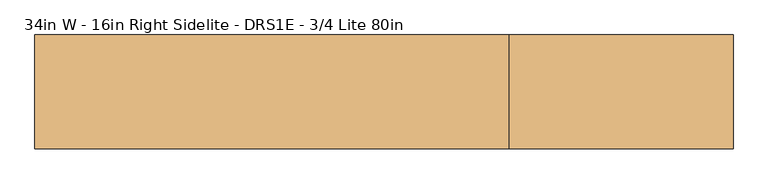
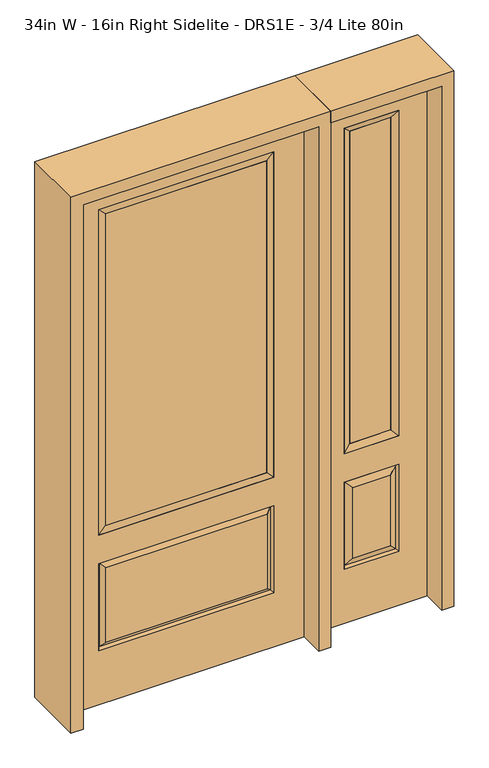
"""IFC4 building model written with IfcOpenShell, lengths in millimetres: door geometry, 34in W - 16in Right Sidelite - DRS1E - 3/4 Lite 80in."""

from ifc_helpers import new_model, si_unit, frame, origin, place, context, project, spatial, polyline, outline, extrude, faceted_brep, source, transform, mapped, element, save


def door_34in_w_16in_right_sidelite_drs1e_3_4_lite_80in_bc8ce20b(model_context):
    return source(origin(), model_context, "Body", "SolidModel", [
        faceted_brep([(476.25, -22.225, 0.0), (882.65, -22.225, 0.0), (882.65, -22.225, 2032.0), (476.25, -22.225, 2032.0), (779.78, -22.225, 1919.224), (779.78, -22.225, 657.098), (579.12, -22.225, 657.098), (579.12, -22.225, 1919.224), (779.78, -22.225, 209.55), (579.12, -22.225, 209.55), (579.12, -22.225, 546.1), (779.78, -22.225, 546.1), (610.8351001, -22.225, 241.2651001), (748.0648999, -22.225, 241.2651001), (748.0648999, -22.225, 514.3848999), (610.8351001, -22.225, 514.3848999), (476.25, 22.225, 0.0), (476.25, 22.225, 2032.0), (882.65, 22.225, 2032.0), (882.65, 22.225, 0.0), (779.78, 22.225, 1919.224), (579.12, 22.225, 1919.224), (579.12, 22.225, 657.098), (779.78, 22.225, 657.098), (579.12, 22.225, 209.55), (779.78, 22.225, 209.55), (779.78, 22.225, 546.1), (579.12, 22.225, 546.1), (748.0648999, 22.225, 241.2651001), (610.8351001, 22.225, 241.2651001), (610.8351001, 22.225, 514.3848999), (748.0648999, 22.225, 514.3848999), (772.6711499, 12.7912373, 216.6588501), (586.2288501, 12.7912373, 216.6588501), (586.2288501, 12.7912373, 538.9911499), (772.6711499, 12.7912373, 538.9911499), (586.2288501, -12.7912373, 216.6588501), (772.6711499, -12.7912373, 216.6588501), (586.2288501, -12.7912373, 538.9911499), (772.6711499, -12.7912373, 538.9911499)], [[[0, 1, 2, 3], [4, 5, 6, 7], [8, 9, 10, 11]], [[12, 13, 14, 15]], [[16, 17, 18, 19], [20, 21, 22, 23], [24, 25, 26, 27]], [[28, 29, 30, 31]], [[1, 0, 16, 19]], [[2, 1, 19, 18]], [[3, 2, 18, 17]], [[0, 3, 17, 16]], [[5, 4, 20, 23]], [[6, 5, 23, 22]], [[7, 6, 22, 21]], [[4, 7, 21, 20]], [[32, 33, 29, 28]], [[33, 32, 25, 24]], [[29, 33, 34, 30]], [[33, 24, 27, 34]], [[30, 34, 35, 31]], [[34, 27, 26, 35]], [[32, 28, 31, 35]], [[25, 32, 35, 26]], [[12, 36, 37, 13]], [[37, 36, 9, 8]], [[36, 12, 15, 38]], [[9, 36, 38, 10]], [[38, 15, 14, 39]], [[10, 38, 39, 11]], [[13, 37, 39, 14]], [[37, 8, 11, 39]]]),
        faceted_brep([(579.12, 22.225, 1919.224), (579.12, -22.225, 1919.224), (779.78, -22.225, 1919.224), (779.78, 22.225, 1919.224), (604.52, 12.7, 1893.824), (754.38, 12.7, 1893.824), (604.52, -12.7, 1893.824), (754.38, -12.7, 1893.824), (779.78, -22.225, 657.098), (779.78, 22.225, 657.098), (754.38, 12.7, 682.498), (754.38, -12.7, 682.498), (579.12, -22.225, 657.098), (579.12, 22.225, 657.098), (604.52, 12.7, 682.498), (604.52, -12.7, 682.498)], [[[0, 1, 2, 3]], [[4, 0, 3, 5]], [[6, 4, 5, 7]], [[1, 6, 7, 2]], [[3, 2, 8, 9]], [[5, 3, 9, 10]], [[7, 5, 10, 11]], [[2, 7, 11, 8]], [[9, 8, 12, 13]], [[10, 9, 13, 14]], [[11, 10, 14, 15]], [[8, 11, 15, 12]], [[13, 12, 1, 0]], [[14, 13, 0, 4]], [[15, 14, 4, 6]], [[12, 15, 6, 1]]]),
        extrude(outline(polyline([(754.38, -12.7), (604.52, -12.7), (604.52, 12.7), (754.38, 12.7), (754.38, -12.7)])), frame((0.0, 0.0, 682.498), z_axis=(0.0, 0.0, 1.0), x_axis=(1.0, 0.0, 0.0)), (0.0, 0.0, 1.0), 1211.326),
        faceted_brep([(-313.5661499, -12.7912373, 216.6588501), (313.5661499, -12.7912373, 216.6588501), (296.06875, -22.225, 234.15625), (-296.06875, -22.225, 234.15625), (-320.675, -22.225, 209.55), (320.675, -22.225, 209.55), (-313.5661499, -12.7912373, 538.9911499), (-320.675, -22.225, 546.1), (296.06875, -22.225, 521.49375), (-296.06875, -22.225, 521.49375), (431.8, -22.225, 2032.0), (-431.8, -22.225, 2032.0), (-431.8, -22.225, 0.0), (431.8, -22.225, 0.0), (320.675, -22.225, 546.1), (320.675, -22.225, 1917.7), (320.675, -22.225, 657.098), (-320.675, -22.225, 657.098), (-320.675, -22.225, 1917.7), (313.5661499, -12.7912373, 538.9911499), (-431.8, 22.225, 2032.0), (-431.8, 22.225, 0.0), (431.8, 22.225, 0.0), (431.8, 22.225, 2032.0), (320.675, 22.225, 1917.7), (320.675, 22.225, 657.098), (-320.675, 22.225, 657.098), (-320.675, 22.225, 1917.7), (-320.675, 22.225, 209.55), (320.675, 22.225, 209.55), (320.675, 22.225, 546.1), (-320.675, 22.225, 546.1), (296.06875, 22.225, 234.15625), (-296.06875, 22.225, 234.15625), (-296.06875, 22.225, 521.49375), (296.06875, 22.225, 521.49375), (-313.5661499, 12.7912373, 216.6588501), (313.5661499, 12.7912373, 216.6588501), (313.5661499, 12.7912373, 538.9911499), (-313.5661499, 12.7912373, 538.9911499)], [[[0, 1, 2, 3]], [[1, 0, 4, 5]], [[4, 0, 6, 7]], [[3, 2, 8, 9]], [[10, 11, 12, 13], [5, 4, 7, 14], [15, 16, 17, 18]], [[1, 5, 14, 19]], [[2, 1, 19, 8]], [[0, 3, 9, 6]], [[7, 6, 19, 14]], [[6, 9, 8, 19]], [[12, 11, 20, 21]], [[13, 12, 21, 22]], [[10, 13, 22, 23]], [[16, 15, 24, 25]], [[17, 16, 25, 26]], [[18, 17, 26, 27]], [[23, 22, 21, 20], [28, 29, 30, 31], [24, 27, 26, 25]], [[32, 33, 34, 35]], [[28, 36, 37, 29]], [[29, 37, 38, 30]], [[39, 31, 30, 38]], [[36, 28, 31, 39]], [[37, 36, 33, 32]], [[33, 36, 39, 34]], [[34, 39, 38, 35]], [[37, 32, 35, 38]], [[11, 10, 23, 20]], [[15, 18, 27, 24]]]),
        faceted_brep([(-320.675, -22.225, 1917.7), (-320.675, 22.225, 1917.7), (-320.675, 22.225, 657.098), (-320.675, -22.225, 657.098), (320.675, 22.225, 657.098), (320.675, -22.225, 657.098), (-295.275, 5.08, 682.498), (295.275, 5.08, 682.498), (320.675, 22.225, 1917.7), (320.675, -22.225, 1917.7), (-295.275, -20.32, 682.498), (295.275, -20.32, 682.498), (-295.275, -20.32, 1892.3), (295.275, -20.32, 1892.3), (-295.275, 5.08, 1892.3), (295.275, 5.08, 1892.3)], [[[0, 1, 2, 3]], [[3, 2, 4, 5]], [[2, 6, 7, 4]], [[5, 4, 8, 9]], [[10, 3, 5, 11]], [[12, 0, 3, 10]], [[11, 5, 9, 13]], [[6, 10, 11, 7]], [[14, 12, 10, 6]], [[7, 11, 13, 15]], [[1, 14, 6, 2]], [[4, 7, 15, 8]], [[9, 8, 1, 0]], [[13, 9, 0, 12]], [[15, 13, 12, 14]], [[8, 15, 14, 1]]]),
        extrude(outline(polyline([(295.275, -20.32), (-295.275, -20.32), (-295.275, 5.08), (295.275, 5.08), (295.275, -20.32)])), frame((0.0, 0.0, 682.498), z_axis=(0.0, 0.0, 1.0), x_axis=(1.0, 0.0, 0.0)), (0.0, 0.0, 1.0), 1209.802),
        extrude(outline(polyline([(2076.45, -476.25), (0.0, -476.25), (0.0, -431.8), (2032.0, -431.8), (2032.0, 431.8), (0.0, 431.8), (0.0, 476.25), (2076.45, 476.25), (2076.45, -476.25)])), frame((0.0, -114.3, 0.0), z_axis=(0.0, 1.0, 0.0), x_axis=(0.0, 0.0, 1.0)), (0.0, 0.0, 1.0), 228.6),
        extrude(outline(polyline([(0.0, 882.65), (0.0, 927.1), (2076.45, 927.1), (2076.45, 476.25), (2032.0, 476.25), (2032.0, 882.65), (0.0, 882.65)])), frame((0.0, -114.3, 0.0), z_axis=(0.0, 1.0, 0.0), x_axis=(0.0, 0.0, 1.0)), (0.0, 0.0, 1.0), 228.6),
    ])


if __name__ == "__main__":
    model = new_model("IFC4")
    model_context = context("Model", 3, world=origin())
    ifc_project = project(units=[si_unit("LENGTHUNIT", "METRE", prefix="MILLI")], contexts=[model_context])
    site = spatial("IfcSite", under=ifc_project)
    building = spatial("IfcBuilding", under=site)
    placement = place(None, origin())
    door_34in_w_16in_right_sidelite_drs1e_3_4_lite_80in_shape = door_34in_w_16in_right_sidelite_drs1e_3_4_lite_80in_bc8ce20b(model_context)
    element("IfcDoor", 1, ObjectType="34in W - 16in Right Sidelite - DRS1E - 3/4 Lite 80in", at=placement, inside=building, context=model_context, shape_type="MappedRepresentation", body=[
        mapped(door_34in_w_16in_right_sidelite_drs1e_3_4_lite_80in_shape, transform((0.0, 0.0, 0.0), x_axis=(1.0, 0.0, 0.0), y_axis=(0.0, 1.0, 0.0), z_axis=(0.0, 0.0, 1.0))),
    ])
    save(model, "model.ifc")
